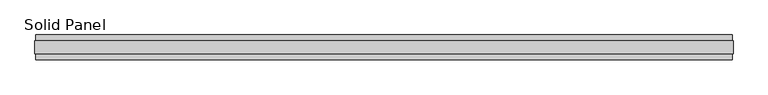
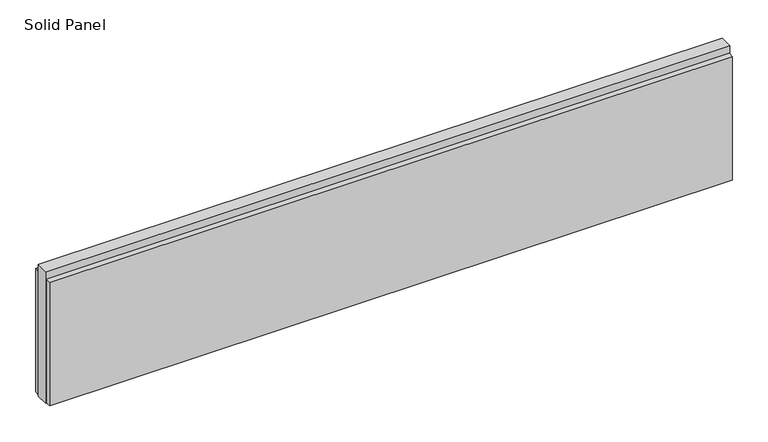
"""IFC4 building model written with IfcOpenShell, lengths in millimetres: plate geometry, Solid Panel."""

from ifc_helpers import new_model, si_unit, frame, origin, origin_with_axes, place, context, project, spatial, polyline, outline, extrude, source, transform, mapped, element, save


def solid_panel_2754dac7(model_context):
    return source(origin(), model_context, "Body", "SweptSolid", [
        extrude(outline(polyline([(1368.6027273, -48.4531867), (-1368.6027273, -48.4531867), (-1368.6027273, -25.9961), (1368.6027273, -25.9961), (1368.6027273, -48.4531867)])), frame((0.0, 0.0, 3.0099), z_axis=(0.0, 0.0, 1.0), x_axis=(1.0, 0.0, 0.0)), (0.0, 0.0, 1.0), 523.7861),
        extrude(outline(polyline([(1368.6027273, 25.9977), (-1368.6027273, 25.9977), (-1368.6027273, 48.4547867), (1368.6027273, 48.4547867), (1368.6027273, 25.9977)])), frame((0.0, 0.0, 3.0099), z_axis=(0.0, 0.0, 1.0), x_axis=(1.0, 0.0, 0.0)), (0.0, 0.0, 1.0), 523.7861),
        extrude(outline(polyline([(1371.5999273, -25.9961), (-1371.5999273, -25.9961), (-1371.5999273, 25.9977), (1371.5999273, 25.9977), (1371.5999273, -25.9961)])), origin_with_axes(), (0.0, 0.0, 1.0), 558.8),
    ])


if __name__ == "__main__":
    model = new_model("IFC4")
    model_context = context("Model", 3, world=origin())
    ifc_project = project(units=[si_unit("LENGTHUNIT", "METRE", prefix="MILLI")], contexts=[model_context])
    site = spatial("IfcSite", under=ifc_project)
    building = spatial("IfcBuilding", under=site)
    placement = place(None, origin())
    solid_panel_shape = solid_panel_2754dac7(model_context)
    element("IfcPlate", 1, ObjectType="Solid Panel", at=placement, inside=building, context=model_context, shape_type="MappedRepresentation", body=[
        mapped(solid_panel_shape, transform((0.0, 0.0, 0.0), x_axis=(1.0, 0.0, 0.0), y_axis=(0.0, 1.0, 0.0), z_axis=(0.0, 0.0, 1.0))),
    ])
    save(model, "model.ifc")
